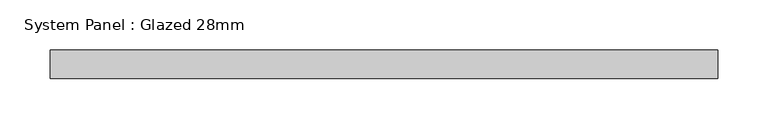
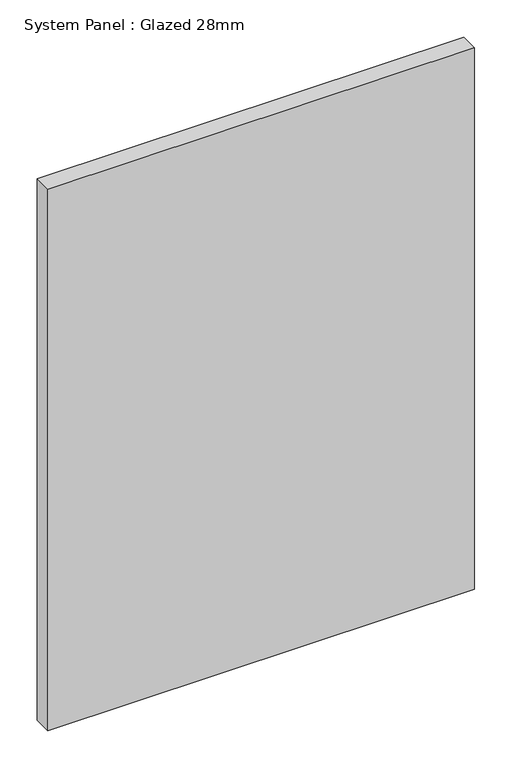
"""IFC4 building model written with IfcOpenShell, lengths in millimetres: plate geometry, System Panel : Glazed 28mm."""

import ifcopenshell
import ifcopenshell.guid

model = None  # the IFC model being written
_history = None  # IfcOwnerHistory: only IFC2X3 demands one
_inside = {}  # id of a spatial element -> (the spatial element, [elements in it])
_under = {}  # id of a project, library or spatial element -> (it, [spatial elements below it])
_declared = {}  # id of a project -> (the project, [libraries it declares])
_typed = {}  # id of a type object -> (the type object, [elements of that type])
_made_of = {}  # id of a material, layer set ... -> (it, [elements and type objects made of it])


def new_model(schema):
    """Start an empty IFC model of exactly this schema.

    Asked for "IFC4X3", IfcOpenShell would pick the latest addendum, in which some entities
    have other attributes; the version numbers below select the first issue.
    IFC2X3 requires an IfcOwnerHistory on every rooted entity: one is made here for all.
    """
    global model, _history
    if schema == "IFC4X3":
        model = ifcopenshell.file(schema_version=(4, 3, 0, 0))
    else:
        model = ifcopenshell.file(schema=schema)
    _inside.clear()
    _under.clear()
    _declared.clear()
    _typed.clear()
    _made_of.clear()
    _history = None
    if model.schema == "IFC2X3":
        org = make("IfcOrganization", Name="unknown")
        user = make(
            "IfcPersonAndOrganization",
            ThePerson=make("IfcPerson", FamilyName="unknown"),
            TheOrganization=org,
        )
        app = make(
            "IfcApplication",
            ApplicationDeveloper=org,
            Version="unknown",
            ApplicationFullName="unknown",
            ApplicationIdentifier="unknown",
        )
        _history = make(
            "IfcOwnerHistory",
            OwningUser=user,
            OwningApplication=app,
            ChangeAction="ADDED",
            CreationDate=0,
        )
    return model


def make(cls, **values):
    """One entity of the class cls with the attributes given. An attribute that is None is left unset."""
    return model.create_entity(
        cls, **{name: value for name, value in values.items() if value is not None}
    )


def rooted(cls, **values):
    """An entity with a GlobalId (a new one), such as an element, a storey or a relation."""
    return make(cls, GlobalId=ifcopenshell.guid.new(), OwnerHistory=_history, **values)


def si_unit(unit_type, name, prefix=None):
    """IfcSIUnit, for example si_unit("LENGTHUNIT", "METRE", prefix="MILLI")."""
    return make("IfcSIUnit", UnitType=unit_type, Prefix=prefix, Name=name)


def assignment(units):
    """IfcUnitAssignment: the units of a project."""
    return None if units is None else make("IfcUnitAssignment", Units=units)


def point(xyz):
    """IfcCartesianPoint."""
    return None if xyz is None else make("IfcCartesianPoint", Coordinates=xyz)


def direction(xyz):
    """IfcDirection."""
    return None if xyz is None else make("IfcDirection", DirectionRatios=xyz)


def frame(location, z_axis=None, x_axis=None):
    """IfcAxis2Placement3D, a coordinate frame: its origin and axes. An axis left out is left unset."""
    return make(
        "IfcAxis2Placement3D",
        Location=point(location),
        Axis=direction(z_axis),
        RefDirection=direction(x_axis),
    )


def origin():
    """The frame at (0, 0, 0) with its axes left unset."""
    return frame((0.0, 0.0, 0.0))


def origin_with_axes():
    """The frame at (0, 0, 0) with the z axis (0, 0, 1) and the x axis (1, 0, 0) written out."""
    return frame((0.0, 0.0, 0.0), z_axis=(0.0, 0.0, 1.0), x_axis=(1.0, 0.0, 0.0))


def place(relative_to, where):
    """IfcLocalPlacement: puts the frame where relative to a parent placement (None: the world)."""
    return make(
        "IfcLocalPlacement", PlacementRelTo=relative_to, RelativePlacement=where
    )


def context(
    kind, dimensions, precision=None, world=None, true_north=None, identifier=None
):
    """IfcGeometricRepresentationContext, for example the 3D "Model" context."""
    return make(
        "IfcGeometricRepresentationContext",
        ContextIdentifier=identifier,
        ContextType=kind,
        CoordinateSpaceDimension=dimensions,
        Precision=precision,
        WorldCoordinateSystem=world,
        TrueNorth=true_north,
    )


def project(units=None, contexts=None):
    """IfcProject with its units and contexts."""
    return rooted(
        "IfcProject",
        Name="project",
        RepresentationContexts=contexts,
        UnitsInContext=assignment(units),
    )


def spatial(cls, under=None, at=None, **own):
    """A site, building, storey or space (cls), placed at a placement, below another one or the project."""
    s = rooted(cls, ObjectPlacement=at, **own)
    if under is not None:
        _under.setdefault(under.id(), (under, []))[1].append(s)
    return s


def polyline(points):
    """IfcPolyline through the points."""
    return make("IfcPolyline", Points=[point(p) for p in points])


def outline(outer, holes=None, kind="AREA"):
    """IfcArbitraryClosedProfileDef: a profile drawn as a closed curve; with holes, ...WithVoids."""
    if holes is None:
        return make("IfcArbitraryClosedProfileDef", ProfileType=kind, OuterCurve=outer)
    return make(
        "IfcArbitraryProfileDefWithVoids",
        ProfileType=kind,
        OuterCurve=outer,
        InnerCurves=holes,
    )


def extrude(swept, where, along, depth):
    """IfcExtrudedAreaSolid: the profile swept, set in the frame where, extruded along a direction by depth."""
    return make(
        "IfcExtrudedAreaSolid",
        SweptArea=swept,
        Position=where,
        ExtrudedDirection=direction(along),
        Depth=depth,
    )


def shape(context_of_items, identifier, shape_type, items):
    """IfcShapeRepresentation: the items that make up one representation, for example the "Body"."""
    return make(
        "IfcShapeRepresentation",
        ContextOfItems=context_of_items,
        RepresentationIdentifier=identifier,
        RepresentationType=shape_type,
        Items=items,
    )


def source(mapping_origin, context_of_items, identifier, shape_type, items):
    """IfcRepresentationMap: a shape defined once, which mapped items show again and again."""
    return make(
        "IfcRepresentationMap",
        MappingOrigin=mapping_origin,
        MappedRepresentation=shape(context_of_items, identifier, shape_type, items),
    )


def transform(
    local_origin,
    x_axis=None,
    y_axis=None,
    z_axis=None,
    scale=None,
    scale2=None,
    scale3=None,
    uniform=True,
):
    """IfcCartesianTransformationOperator3D, or its non-uniform kind. x_axis, y_axis, z_axis: its Axis1, 2, 3."""
    if uniform:
        return make(
            "IfcCartesianTransformationOperator3D",
            Axis1=direction(x_axis),
            Axis2=direction(y_axis),
            LocalOrigin=point(local_origin),
            Scale=scale,
            Axis3=direction(z_axis),
        )
    return make(
        "IfcCartesianTransformationOperator3DnonUniform",
        Axis1=direction(x_axis),
        Axis2=direction(y_axis),
        LocalOrigin=point(local_origin),
        Scale=scale,
        Axis3=direction(z_axis),
        Scale2=scale2,
        Scale3=scale3,
    )


def mapped(mapping_source, mapping_target):
    """IfcMappedItem: shows the shape of a source again, moved by a transform."""
    return make(
        "IfcMappedItem", MappingSource=mapping_source, MappingTarget=mapping_target
    )


def made_of(thing, what):
    """Note that an element or type object is made of a material, layer set ...; save() writes the relation."""
    if what is not None:
        _made_of.setdefault(what.id(), (what, []))[1].append(thing)
    return thing


def element(
    cls,
    number,
    at=None,
    inside=None,
    cuts=None,
    type_object=None,
    material=None,
    context=None,
    identifier="Body",
    shape_type=None,
    held_by="IfcProductDefinitionShape",
    body=None,
    shapes=None,
    **own,
):
    """One element of the class cls, such as IfcWall. Its Tag is "e" and its number.

    at: its placement. inside: the storey or other place that contains it. cuts: it is an
    opening in that element (IfcRelVoidsElement). A single representation is given by context,
    identifier, shape_type and body (its items); several are given by shapes. held_by: the class
    of the entity that holds the representations. save() writes the other relations.
    """
    e = rooted(cls, Tag="e%d" % number, ObjectPlacement=at, **own)
    if body is not None:
        shapes = [shape(context, identifier, shape_type, body)]
    if shapes is not None:
        e.Representation = make(held_by, Representations=shapes)
    if inside is not None:
        _inside.setdefault(inside.id(), (inside, []))[1].append(e)
    if cuts is not None:
        rooted(
            "IfcRelVoidsElement", RelatingBuildingElement=cuts, RelatedOpeningElement=e
        )
    if type_object is not None:
        _typed.setdefault(type_object.id(), (type_object, []))[1].append(e)
    return made_of(e, material)


def aggregate(whole, parts):
    """IfcRelAggregates: a whole, such as a stair, and the parts it consists of."""
    return rooted("IfcRelAggregates", RelatingObject=whole, RelatedObjects=parts)


def save(model, path):
    """Write the relations noted so far, then the file.

    IfcRelAggregates (storeys below a building ...), IfcRelContainedInSpatialStructure (elements
    in a storey), IfcRelDefinesByType, IfcRelAssociatesMaterial and IfcRelDeclares: one each for
    every whole, place, type object, material and project.
    """
    for whole, parts in _under.values():
        aggregate(whole, parts)
    for where, things in _inside.values():
        rooted(
            "IfcRelContainedInSpatialStructure",
            RelatedElements=things,
            RelatingStructure=where,
        )
    for kind, things in _typed.values():
        rooted("IfcRelDefinesByType", RelatedObjects=things, RelatingType=kind)
    for what, things in _made_of.values():
        rooted("IfcRelAssociatesMaterial", RelatedObjects=things, RelatingMaterial=what)
    for by, libraries in _declared.values():
        rooted("IfcRelDeclares", RelatingContext=by, RelatedDefinitions=libraries)
    model.write(path)


def system_panel_glazed_28mm_bb54b685(model_context):
    return source(origin(), model_context, "Body", "SweptSolid", [
        extrude(outline(polyline([(330.9945126, -14.0), (-330.9945126, -14.0), (-330.9945126, 14.0), (330.9945126, 14.0), (330.9945126, -14.0)])), origin_with_axes(), (0.0, 0.0, 1.0), 887.6823429),
    ])


if __name__ == "__main__":
    model = new_model("IFC4")
    model_context = context("Model", 3, world=origin())
    ifc_project = project(units=[si_unit("LENGTHUNIT", "METRE", prefix="MILLI")], contexts=[model_context])
    site = spatial("IfcSite", under=ifc_project)
    building = spatial("IfcBuilding", under=site)
    placement = place(None, origin())
    system_panel_glazed_28mm_shape = system_panel_glazed_28mm_bb54b685(model_context)
    element("IfcPlate", 1, ObjectType="System Panel : Glazed 28mm", at=placement, inside=building, context=model_context, shape_type="MappedRepresentation", body=[
        mapped(system_panel_glazed_28mm_shape, transform((0.0, 0.0, 0.0), x_axis=(1.0, 0.0, 0.0), y_axis=(0.0, 1.0, 0.0), z_axis=(0.0, 0.0, 1.0))),
    ])
    save(model, "model.ifc")
